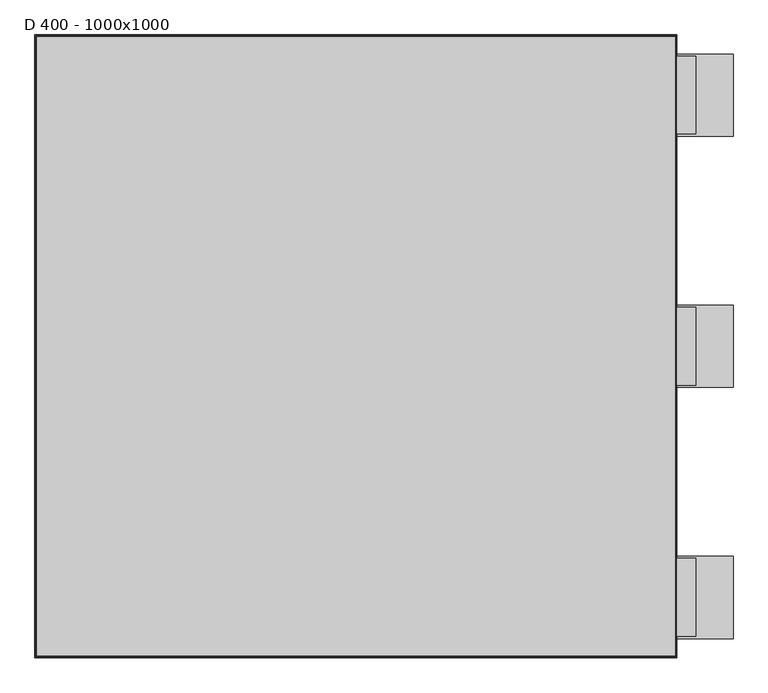
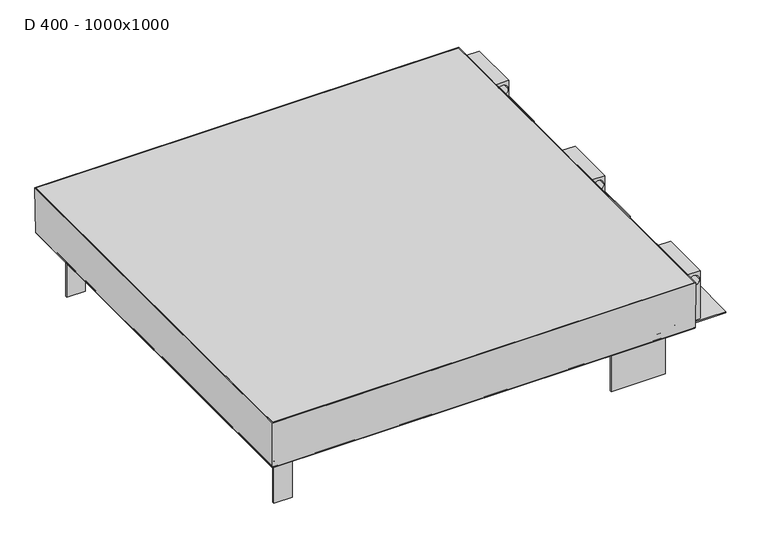
"""IFC4 building model written with IfcOpenShell, lengths in millimetres: proxy geometry, D 400 - 1000x1000."""

from ifc_helpers import new_model, si_unit, point, frame, frame_2d, origin, place, context, project, spatial, polyline, circle_curve, ellipse_curve, trimmed, segment, composite_curve, outline, extrude, source, transform, mapped, element, save
from ifc_brep_helpers import plane_surface, cylinder_surface, revolved_surface, advanced_brep


def d_400_1000x1000_37fa2a3f(model_context):
    return source(origin(), model_context, "Body", "SolidModel", [
        extrude(outline(polyline([(540.0, 75.0), (690.0, 75.0), (690.0, -75.2111329), (540.0, -75.2111329), (540.0, 75.0)])), frame((0.0, 0.0, -144.0), z_axis=(0.0, 0.0, 1.0), x_axis=(1.0, 0.0, 0.0)), (0.0, 0.0, 1.0), 3.0),
        extrude(outline(polyline([(0.0, 622.0), (0.0, 587.0), (-141.0, 587.0), (-141.0, 622.0), (0.0, 622.0)]), holes=[composite_curve([segment(trimmed(circle_curve(frame_2d((-23.8203371, 604.4245301)), 15.0), [point((-23.8203371, 589.4245301))], [point((-23.8203371, 619.4245301))], True, "CARTESIAN"), True, "CONTINUOUS"), segment(trimmed(circle_curve(frame_2d((-23.8203371, 604.4245301)), 15.0), [point((-23.8203371, 619.4245301))], [point((-23.8203371, 589.4245301))], True, "CARTESIAN"), True, "CONTINUOUS")], self_intersect=False)]), frame((0.0, -70.8630535, 0.0), z_axis=(0.0, 1.0, 0.0), x_axis=(0.0, 0.0, 1.0)), (0.0, 0.0, 1.0), 142.0),
        extrude(outline(polyline([(540.0, -384.2888671), (690.0, -384.2888671), (690.0, -534.5), (540.0, -534.5), (540.0, -384.2888671)])), frame((0.0, 0.0, -144.0), z_axis=(0.0, 0.0, 1.0), x_axis=(1.0, 0.0, 0.0)), (0.0, 0.0, 1.0), 3.0),
        extrude(outline(polyline([(0.0, 622.0), (0.0, 587.0), (-141.0, 587.0), (-141.0, 622.0), (0.0, 622.0)]), holes=[composite_curve([segment(trimmed(circle_curve(frame_2d((-23.8203371, 604.4245301)), 15.0), [point((-23.8203371, 589.4245301))], [point((-23.8203371, 619.4245301))], True, "CARTESIAN"), True, "CONTINUOUS"), segment(trimmed(circle_curve(frame_2d((-23.8203371, 604.4245301)), 15.0), [point((-23.8203371, 619.4245301))], [point((-23.8203371, 589.4245301))], True, "CARTESIAN"), True, "CONTINUOUS")], self_intersect=False)]), frame((0.0, -530.1519206, 0.0), z_axis=(0.0, 1.0, 0.0), x_axis=(0.0, 0.0, 1.0)), (0.0, 0.0, 1.0), 142.0),
        extrude(outline(polyline([(540.0, 534.5), (690.0, 534.5), (690.0, 384.2888671), (540.0, 384.2888671), (540.0, 534.5)])), frame((0.0, 0.0, -144.0), z_axis=(0.0, 0.0, 1.0), x_axis=(1.0, 0.0, 0.0)), (0.0, 0.0, 1.0), 3.0),
        extrude(outline(polyline([(0.0, 622.0), (0.0, 587.0), (-141.0, 587.0), (-141.0, 622.0), (0.0, 622.0)]), holes=[composite_curve([segment(trimmed(circle_curve(frame_2d((-23.8203371, 604.4245301)), 15.0), [point((-23.8203371, 589.4245301))], [point((-23.8203371, 619.4245301))], True, "CARTESIAN"), True, "CONTINUOUS"), segment(trimmed(circle_curve(frame_2d((-23.8203371, 604.4245301)), 15.0), [point((-23.8203371, 619.4245301))], [point((-23.8203371, 589.4245301))], True, "CARTESIAN"), True, "CONTINUOUS")], self_intersect=False)]), frame((0.0, 388.6369465, 0.0), z_axis=(0.0, 1.0, 0.0), x_axis=(0.0, 0.0, 1.0)), (0.0, 0.0, 1.0), 142.0),
        extrude(outline(polyline([(-584.3953955, -511.8953955), (-584.3953955, 511.8953955), (-584.3953955, 566.8953955), (-529.3953955, 566.8953955), (529.3953955, 566.8953955), (584.3953955, 566.8953955), (584.3953955, 511.8953955), (584.3953955, -511.8953955), (584.3953955, -566.8953955), (529.3953955, -566.8953955), (-529.3953955, -566.8953955), (-584.3953955, -566.8953955), (-584.3953955, -511.8953955)])), frame((0.0, 0.0, -5.0), z_axis=(0.0, 0.0, 1.0), x_axis=(1.0, 0.0, 0.0)), (0.0, 0.0, 1.0), 5.0),
        advanced_brep(
        [(-517.5, 500.0, -116.8748363), (-517.5, -500.0, -116.8748363), (517.5, -500.0, -116.8748363), (517.5, 500.0, -116.8748363), (580.9605243, 563.4605243, -120.0), (580.9605243, -563.4605243, -120.0), (-580.9605243, -563.4605243, -120.0), (-580.9605243, 563.4605243, -120.0), (-517.5, 500.0, -117.9987834), (-517.5, -500.0, -117.9987834), (517.5, -500.0, -117.9987834), (517.5, 500.0, -117.9987834), (582.2486912, 564.7486912, -118.7973005), (582.2486912, -564.7486912, -118.7973005), (580.3145448, 562.8145448, -116.8748363), (579.1900014, 561.6900014, -117.9987834), (579.1900014, -561.6900014, -117.9987834), (580.3145448, -562.8145448, -116.8748363), (584.3953955, -566.8953955, 0.0), (584.3953955, 566.8953955, 0.0), (586.3966675, 568.8966675, 0.0), (586.3966675, -568.8966675, 0.0), (-582.2486912, -564.7486912, -118.7973005), (-579.1900014, -561.6900014, -117.9987834), (-580.3145448, -562.8145448, -116.8748363), (-584.3953955, -566.8953955, 0.0), (-586.3966675, -568.8966675, 0.0), (-582.2486912, 564.7486912, -118.7973005), (-579.1900014, 561.6900014, -117.9987834), (-580.3145448, 562.8145448, -116.8748363), (-584.3953955, 566.8953955, 0.0), (-586.3966675, 568.8966675, 0.0)],
        [
            (0, 1),
            (1, 2),
            (2, 3),
            (3, 0),
            (4, 5),
            (5, 6),
            (6, 7),
            (7, 4),
            (0, 8),
            (8, 9),
            (9, 1),
            (9, 10),
            (10, 2),
            (10, 11),
            (11, 3),
            (11, 8),
            (4, 12, ellipse_curve(frame((580.9605243, 563.4605243, -118.7087963), z_axis=(0.7071067811865475, -0.7071067811865475, 0.0), x_axis=(0.7071067811865474, 0.7071067811865476, 0.0)), 1.8260378, 1.2912037)),
            (12, 13),
            (13, 5, ellipse_curve(frame((580.9605243, -563.4605243, -118.7087963), z_axis=(0.7071067811865475, 0.7071067811865475, 0.0), x_axis=(-0.7071067811865474, 0.7071067811865476, 0.0)), 1.8260378, 1.2912037)),
            (14, 15, ellipse_curve(frame((579.0254138, 561.5254138, -116.7095649), z_axis=(-0.7071067811865475, 0.7071067811865475, 0.0), x_axis=(-0.7071067811865474, -0.7071067811865476, 0.0)), 1.838028, 1.2996821)),
            (15, 16),
            (16, 17, ellipse_curve(frame((579.0254138, -561.5254138, -116.7095649), z_axis=(-0.7071067811865475, -0.7071067811865475, 0.0), x_axis=(0.7071067811865474, -0.7071067811865476, 0.0)), 1.838028, 1.2996821)),
            (17, 14),
            (17, 18),
            (18, 19),
            (19, 14),
            (12, 20),
            (20, 21),
            (21, 13),
            (13, 22),
            (22, 6, ellipse_curve(frame((-580.9605243, -563.4605243, -118.7087963), z_axis=(0.7071067811865475, -0.7071067811865475, 0.0), x_axis=(0.7071067811865476, 0.7071067811865474, 0.0)), 1.8260378, 1.2912037)),
            (16, 23),
            (23, 24, ellipse_curve(frame((-579.0254138, -561.5254138, -116.7095649), z_axis=(-0.7071067811865475, 0.7071067811865475, 0.0), x_axis=(-0.7071067811865476, -0.7071067811865474, 0.0)), 1.838028, 1.2996821)),
            (24, 17),
            (24, 25),
            (25, 18),
            (21, 26),
            (26, 22),
            (22, 27),
            (27, 7, ellipse_curve(frame((-580.9605243, 563.4605243, -118.7087963), z_axis=(-0.7071067811865475, -0.7071067811865475, 0.0), x_axis=(0.7071067811865474, -0.7071067811865476, 0.0)), 1.8260378, 1.2912037)),
            (23, 28),
            (28, 29, ellipse_curve(frame((-579.0254138, 561.5254138, -116.7095649), z_axis=(0.7071067811865475, 0.7071067811865475, 0.0), x_axis=(-0.7071067811865474, 0.7071067811865476, 0.0)), 1.838028, 1.2996821)),
            (29, 24),
            (29, 30),
            (30, 25),
            (26, 31),
            (31, 27),
            (27, 12),
            (15, 28),
            (14, 29),
            (19, 30),
            (20, 31),
        ],
        [
            plane_surface(frame((-517.5, -500.0, -116.8748363), z_axis=(0.0, 0.0, 1.0), x_axis=(0.0, -1.0, 0.0))),
            plane_surface(frame((-517.5, -500.0, -120.0), z_axis=(0.0, 0.0, -1.0), x_axis=(0.0, 1.0, 0.0))),
            plane_surface(frame((-517.5, 500.0, -116.8748363), z_axis=(-1.0, 0.0, 0.0), x_axis=(0.0, 0.0, -1.0))),
            plane_surface(frame((-517.5, -500.0, -116.8748363), z_axis=(0.0, -1.0, 0.0), x_axis=(0.0, 0.0, -1.0))),
            plane_surface(frame((517.5, -500.0, -116.8748363), z_axis=(1.0, 0.0, 0.0), x_axis=(0.0, 0.0, -1.0))),
            plane_surface(frame((517.5, 500.0, -116.8748363), z_axis=(0.0, 1.0, 0.0), x_axis=(0.0, 0.0, -1.0))),
            cylinder_surface(frame((580.9605243, 567.5, -118.7087963), z_axis=(0.0, 1.0, 0.0), x_axis=(1.0, 0.0, 0.0)), 1.2912037),
            revolved_surface(polyline([(580.3250959000001, -562.8250958628107, -116.7095649), (580.3250959000001, 562.8250958628108, -116.7095649)]), (579.0254138, 567.5, -116.7095649), (0.0, -1.0, 0.0)),
            plane_surface(frame((580.3145448, 562.8145448, -116.8748363), z_axis=(-0.9993909786628107, 0.0, 0.03489515392414314), x_axis=(0.0, -1.0, 0.0))),
            plane_surface(frame((586.3966675, 568.8966675, 0.0), z_axis=(0.9993909786628107, 0.0, -0.0348951539241437), x_axis=(0.0, -1.0, 0.0))),
            cylinder_surface(frame((585.0, -563.4605243, -118.7087963), z_axis=(1.0, 0.0, 0.0), x_axis=(0.0, -1.0, 0.0)), 1.2912037),
            revolved_surface(polyline([(-580.3250958628107, -562.8250959000001, -116.7095649), (580.3250958628108, -562.8250959000001, -116.7095649)]), (585.0, -561.5254138, -116.7095649), (-1.0, 0.0, 0.0)),
            plane_surface(frame((580.3145448, -562.8145448, -116.8748363), z_axis=(0.0, 0.9993909786628107, 0.03489515392414314), x_axis=(-1.0, 0.0, 0.0))),
            plane_surface(frame((586.3966675, -568.8966675, 0.0), z_axis=(0.0, -0.9993909786628107, -0.0348951539241437), x_axis=(-1.0, 0.0, 0.0))),
            cylinder_surface(frame((-580.9605243, -567.5, -118.7087963), z_axis=(0.0, -1.0, 0.0), x_axis=(-1.0, 0.0, 0.0)), 1.2912037),
            revolved_surface(polyline([(-580.3250959000001, 562.8250958628107, -116.7095649), (-580.3250959000001, -562.8250958628108, -116.7095649)]), (-579.0254138, -567.5, -116.7095649), (0.0, 1.0, 0.0)),
            plane_surface(frame((-580.3145448, -562.8145448, -116.8748363), z_axis=(0.9993909786628107, 0.0, 0.03489515392414314), x_axis=(0.0, 1.0, 0.0))),
            plane_surface(frame((-586.3966675, -568.8966675, 0.0), z_axis=(-0.9993909786628107, 0.0, -0.0348951539241437), x_axis=(0.0, 1.0, 0.0))),
            cylinder_surface(frame((-585.0, 563.4605243, -118.7087963), z_axis=(-1.0, 0.0, 0.0), x_axis=(0.0, 1.0, 0.0)), 1.2912037),
            plane_surface(frame((-549.6109139, 532.1109139, -117.9987834), z_axis=(0.0, 0.0, 1.0), x_axis=(1.0, 0.0, 0.0))),
            revolved_surface(polyline([(580.3250958628107, 562.8250959000001, -116.7095649), (-580.3250958628108, 562.8250959000001, -116.7095649)]), (-585.0, 561.5254138, -116.7095649), (1.0, 0.0, 0.0)),
            plane_surface(frame((-580.3145448, 562.8145448, -116.8748363), z_axis=(0.0, -0.9993909786628107, 0.03489515392414314), x_axis=(1.0, 0.0, 0.0))),
            plane_surface(frame((-584.3953955, 566.8953955, 0.0), z_axis=(0.0, 0.0, 1.0), x_axis=(1.0, 0.0, 0.0))),
            plane_surface(frame((-586.3966675, 568.8966675, 0.0), z_axis=(0.0, 0.9993909786628107, -0.0348951539241437), x_axis=(1.0, 0.0, 0.0))),
        ],
        [
            (0, [[1, 2, 3, 4]]),
            (1, [[5, 6, 7, 8]]),
            (2, [[-1, 9, 10, 11]]),
            (3, [[-2, -11, 12, 13]]),
            (4, [[-3, -13, 14, 15]]),
            (5, [[-4, -15, 16, -9]]),
            (6, [[17, 18, 19, -5]]),
            (7, [[20, 21, 22, 23]]),
            (8, [[-23, 24, 25, 26]]),
            (9, [[-18, 27, 28, 29]]),
            (10, [[-19, 30, 31, -6]]),
            (11, [[-22, 32, 33, 34]]),
            (12, [[-24, -34, 35, 36]]),
            (13, [[-29, 37, 38, -30]]),
            (14, [[-31, 39, 40, -7]]),
            (15, [[-33, 41, 42, 43]]),
            (16, [[-35, -43, 44, 45]]),
            (17, [[-38, 46, 47, -39]]),
            (18, [[-17, -8, -40, 48]]),
            (19, [[-21, 49, -41, -32], [-10, -16, -14, -12]]),
            (20, [[-20, 50, -42, -49]]),
            (21, [[-26, 51, -44, -50]]),
            (22, [[-28, 52, -46, -37], [-25, -36, -45, -51]]),
            (23, [[-27, -48, -47, -52]]),
        ],
    ),
        advanced_brep(
        [(584.0603915, 566.5603915, -133.0), (585.3917116, 567.8917116, -131.7973005), (585.3917116, -567.8917116, -131.7973005), (584.0603915, -566.5603915, -133.0), (551.491936, 533.991936, -133.5068236), (552.3495131, 534.8495131, -133.0), (552.3495131, -534.8495131, -133.0), (551.491936, -533.991936, -133.5068236), (541.5430631, 524.0430631, -143.4568727), (541.5430631, -524.0430631, -143.4568727), (540.5631773, 523.0631773, -144.0), (540.5631773, -523.0631773, -144.0), (519.0, 501.5, -142.0), (521.0, 503.5, -144.0), (521.0, -503.5, -144.0), (519.0, -501.5, -142.0), (519.0, 501.5, -131.0), (519.0, -501.5, -131.0), (521.0, 503.5, -131.0), (521.0, -503.5, -131.0), (521.0, -503.5, -140.1412819), (521.0, 503.5, -140.1412819), (522.5596496, 505.0596496, -142.0), (522.5596496, -505.0596496, -142.0), (540.6238392, 523.1238392, -141.5476755), (539.8710448, 522.3710448, -142.0), (539.8710448, -522.3710448, -142.0), (540.6238392, -523.1238392, -141.5476755), (550.7056833, 533.2056833, -131.4646396), (550.7056833, -533.2056833, -131.4646396), (551.6109139, 534.1109139, -130.9987834), (551.6109139, -534.1109139, -130.9987834), (583.414412, 565.914412, -129.9192491), (582.2898686, 564.7898686, -130.9987834), (582.2898686, -564.7898686, -130.9987834), (583.414412, -565.914412, -129.9192491), (584.9987388, 567.4987388, 0.0), (584.9987388, -567.4987388, 0.0), (586.9989406, 569.4989406, 0.0), (586.9989406, -569.4989406, 0.0), (-585.3917116, -567.8917116, -131.7973005), (-584.0603915, -566.5603915, -133.0), (-552.3495131, -534.8495131, -133.0), (-551.491936, -533.991936, -133.5068236), (-541.5430631, -524.0430631, -143.4568727), (-540.5631773, -523.0631773, -144.0), (-521.0, -503.5, -144.0), (-519.0, -501.5, -142.0), (-519.0, -501.5, -131.0), (-521.0, -503.5, -131.0), (-521.0, -503.5, -140.1412819), (-522.5596496, -505.0596496, -142.0), (-539.8710448, -522.3710448, -142.0), (-540.6238392, -523.1238392, -141.5476755), (-550.7056833, -533.2056833, -131.4646396), (-551.6109139, -534.1109139, -130.9987834), (-582.2898686, -564.7898686, -130.9987834), (-583.414412, -565.914412, -129.9192491), (-584.9987388, -567.4987388, 0.0), (-586.9989406, -569.4989406, 0.0), (-585.3917116, 567.8917116, -131.7973005), (-584.0603915, 566.5603915, -133.0), (-552.3495131, 534.8495131, -133.0), (-551.491936, 533.991936, -133.5068236), (-541.5430631, 524.0430631, -143.4568727), (-540.5631773, 523.0631773, -144.0), (-521.0, 503.5, -144.0), (-519.0, 501.5, -142.0), (-519.0, 501.5, -131.0), (-521.0, 503.5, -131.0), (-521.0, 503.5, -140.1412819), (-522.5596496, 505.0596496, -142.0), (-539.8710448, 522.3710448, -142.0), (-540.6238392, 523.1238392, -141.5476755), (-550.7056833, 533.2056833, -131.4646396), (-551.6109139, 534.1109139, -130.9987834), (-582.2898686, 564.7898686, -130.9987834), (-583.414412, 565.914412, -129.9192491), (-584.9987388, 567.4987388, 0.0), (-586.9989406, 569.4989406, 0.0)],
        [
            (0, 1, ellipse_curve(frame((584.0603915, 566.5603915, -131.6618023), z_axis=(0.7071067811865475, -0.7071067811865475, 0.0), x_axis=(0.7071067811865474, 0.7071067811865476, 0.0)), 1.8924973, 1.3381977)),
            (1, 2),
            (2, 3, ellipse_curve(frame((584.0603915, -566.5603915, -131.6618023), z_axis=(0.7071067811865475, 0.7071067811865475, 0.0), x_axis=(-0.7071067811865474, 0.7071067811865476, 0.0)), 1.8924973, 1.3381977)),
            (3, 0),
            (4, 5, ellipse_curve(frame((552.9062332, 535.4062332, -134.9209536), z_axis=(-0.7071067811865475, 0.7071067811865475, 0.0), x_axis=(-0.7071067811865474, -0.7071067811865476, 0.0)), 2.8284271, 2.0)),
            (5, 6),
            (6, 7, ellipse_curve(frame((552.9062332, -535.4062332, -134.9209536), z_axis=(-0.7071067811865475, -0.7071067811865475, 0.0), x_axis=(0.7071067811865474, -0.7071067811865476, 0.0)), 2.8284271, 2.0)),
            (7, 4),
            (8, 4),
            (7, 9),
            (9, 8),
            (10, 8, ellipse_curve(frame((539.0169048, 521.5169048, -140.0547885), z_axis=(0.7071067811865475, -0.7071067811865475, 0.0), x_axis=(0.7071067811865474, 0.7071067811865476, 0.0)), 5.9926042, 4.237411)),
            (9, 11, ellipse_curve(frame((539.0169048, -521.5169048, -140.0547885), z_axis=(0.7071067811865475, 0.7071067811865475, 0.0), x_axis=(-0.7071067811865474, 0.7071067811865476, 0.0)), 5.9926042, 4.237411)),
            (11, 10),
            (12, 13, ellipse_curve(frame((522.5491099, 505.0491099, -140.4508901), z_axis=(0.7071067811865475, -0.7071067811865475, 0.0), x_axis=(0.7071067811865474, 0.7071067811865476, 0.0)), 5.4764811, 3.872457)),
            (13, 14),
            (14, 15, ellipse_curve(frame((522.5491099, -505.0491099, -140.4508901), z_axis=(0.7071067811865475, 0.7071067811865475, 0.0), x_axis=(-0.7071067811865474, 0.7071067811865476, 0.0)), 5.4764811, 3.872457)),
            (15, 12),
            (16, 12),
            (15, 17),
            (17, 16),
            (18, 19),
            (19, 20),
            (20, 21),
            (21, 18),
            (22, 21, ellipse_curve(frame((522.9978512, 505.4978512, -140.0485955), z_axis=(-0.7071067811865475, 0.7071067811865475, 0.0), x_axis=(-0.7071067811865474, -0.7071067811865476, 0.0)), 2.8284271, 2.0)),
            (20, 23, ellipse_curve(frame((522.9978512, -505.4978512, -140.0485955), z_axis=(-0.7071067811865475, -0.7071067811865475, 0.0), x_axis=(0.7071067811865474, -0.7071067811865476, 0.0)), 2.8284271, 2.0)),
            (23, 22),
            (24, 25, ellipse_curve(frame((539.2425005, 521.7425005, -140.1013342), z_axis=(-0.7071067811865475, 0.7071067811865475, 0.0), x_axis=(-0.7071067811865474, -0.7071067811865476, 0.0)), 2.8284271, 2.0)),
            (25, 26),
            (26, 27, ellipse_curve(frame((539.2425005, -521.7425005, -140.1013342), z_axis=(-0.7071067811865475, -0.7071067811865475, 0.0), x_axis=(0.7071067811865474, -0.7071067811865476, 0.0)), 2.8284271, 2.0)),
            (27, 24),
            (28, 24),
            (27, 29),
            (29, 28),
            (30, 28, ellipse_curve(frame((551.9486156, 534.4486156, -132.7674195), z_axis=(0.7071067811865475, -0.7071067811865475, 0.0), x_axis=(0.7071067811865474, 0.7071067811865476, 0.0)), 2.5464155, 1.8005877)),
            (29, 31, ellipse_curve(frame((551.9486156, -534.4486156, -132.7674195), z_axis=(0.7071067811865475, 0.7071067811865475, 0.0), x_axis=(-0.7071067811865474, 0.7071067811865476, 0.0)), 2.5464155, 1.8005877)),
            (31, 30),
            (32, 33, ellipse_curve(frame((582.125281, 564.625281, -129.7018519), z_axis=(-0.7071067811865475, 0.7071067811865475, 0.0), x_axis=(-0.7071067811865474, -0.7071067811865476, 0.0)), 1.8488485, 1.3073333)),
            (33, 34),
            (34, 35, ellipse_curve(frame((582.125281, -564.625281, -129.7018519), z_axis=(-0.7071067811865475, -0.7071067811865475, 0.0), x_axis=(0.7071067811865474, -0.7071067811865476, 0.0)), 1.8488485, 1.3073333)),
            (35, 32),
            (36, 32),
            (35, 37),
            (37, 36),
            (1, 38),
            (38, 39),
            (39, 2),
            (2, 40),
            (40, 41, ellipse_curve(frame((-584.0603915, -566.5603915, -131.6618023), z_axis=(0.7071067811865475, -0.7071067811865475, 0.0), x_axis=(0.7071067811865476, 0.7071067811865474, 0.0)), 1.8924973, 1.3381977)),
            (41, 3),
            (6, 42),
            (42, 43, ellipse_curve(frame((-552.9062332, -535.4062332, -134.9209536), z_axis=(-0.7071067811865475, 0.7071067811865475, 0.0), x_axis=(-0.7071067811865476, -0.7071067811865474, 0.0)), 2.8284271, 2.0)),
            (43, 7),
            (43, 44),
            (44, 9),
            (44, 45, ellipse_curve(frame((-539.0169048, -521.5169048, -140.0547885), z_axis=(0.7071067811865475, -0.7071067811865475, 0.0), x_axis=(0.7071067811865476, 0.7071067811865474, 0.0)), 5.9926042, 4.237411)),
            (45, 11),
            (14, 46),
            (46, 47, ellipse_curve(frame((-522.5491099, -505.0491099, -140.4508901), z_axis=(0.7071067811865475, -0.7071067811865475, 0.0), x_axis=(0.7071067811865476, 0.7071067811865474, 0.0)), 5.4764811, 3.872457)),
            (47, 15),
            (47, 48),
            (48, 17),
            (19, 49),
            (49, 50),
            (50, 20),
            (50, 51, ellipse_curve(frame((-522.9978512, -505.4978512, -140.0485955), z_axis=(-0.7071067811865475, 0.7071067811865475, 0.0), x_axis=(-0.7071067811865476, -0.7071067811865474, 0.0)), 2.8284271, 2.0)),
            (51, 23),
            (26, 52),
            (52, 53, ellipse_curve(frame((-539.2425005, -521.7425005, -140.1013342), z_axis=(-0.7071067811865475, 0.7071067811865475, 0.0), x_axis=(-0.7071067811865476, -0.7071067811865474, 0.0)), 2.8284271, 2.0)),
            (53, 27),
            (53, 54),
            (54, 29),
            (54, 55, ellipse_curve(frame((-551.9486156, -534.4486156, -132.7674195), z_axis=(0.7071067811865475, -0.7071067811865475, 0.0), x_axis=(0.7071067811865476, 0.7071067811865474, 0.0)), 2.5464155, 1.8005877)),
            (55, 31),
            (34, 56),
            (56, 57, ellipse_curve(frame((-582.125281, -564.625281, -129.7018519), z_axis=(-0.7071067811865475, 0.7071067811865475, 0.0), x_axis=(-0.7071067811865476, -0.7071067811865474, 0.0)), 1.8488485, 1.3073333)),
            (57, 35),
            (57, 58),
            (58, 37),
            (39, 59),
            (59, 40),
            (40, 60),
            (60, 61, ellipse_curve(frame((-584.0603915, 566.5603915, -131.6618023), z_axis=(-0.7071067811865475, -0.7071067811865475, 0.0), x_axis=(0.7071067811865474, -0.7071067811865476, 0.0)), 1.8924973, 1.3381977)),
            (61, 41),
            (42, 62),
            (62, 63, ellipse_curve(frame((-552.9062332, 535.4062332, -134.9209536), z_axis=(0.7071067811865475, 0.7071067811865475, 0.0), x_axis=(-0.7071067811865474, 0.7071067811865476, 0.0)), 2.8284271, 2.0)),
            (63, 43),
            (63, 64),
            (64, 44),
            (64, 65, ellipse_curve(frame((-539.0169048, 521.5169048, -140.0547885), z_axis=(-0.7071067811865475, -0.7071067811865475, 0.0), x_axis=(0.7071067811865474, -0.7071067811865476, 0.0)), 5.9926042, 4.237411)),
            (65, 45),
            (46, 66),
            (66, 67, ellipse_curve(frame((-522.5491099, 505.0491099, -140.4508901), z_axis=(-0.7071067811865475, -0.7071067811865475, 0.0), x_axis=(0.7071067811865474, -0.7071067811865476, 0.0)), 5.4764811, 3.872457)),
            (67, 47),
            (67, 68),
            (68, 48),
            (49, 69),
            (69, 70),
            (70, 50),
            (70, 71, ellipse_curve(frame((-522.9978512, 505.4978512, -140.0485955), z_axis=(0.7071067811865475, 0.7071067811865475, 0.0), x_axis=(-0.7071067811865474, 0.7071067811865476, 0.0)), 2.8284271, 2.0)),
            (71, 51),
            (52, 72),
            (72, 73, ellipse_curve(frame((-539.2425005, 521.7425005, -140.1013342), z_axis=(0.7071067811865475, 0.7071067811865475, 0.0), x_axis=(-0.7071067811865474, 0.7071067811865476, 0.0)), 2.8284271, 2.0)),
            (73, 53),
            (73, 74),
            (74, 54),
            (74, 75, ellipse_curve(frame((-551.9486156, 534.4486156, -132.7674195), z_axis=(-0.7071067811865475, -0.7071067811865475, 0.0), x_axis=(0.7071067811865474, -0.7071067811865476, 0.0)), 2.5464155, 1.8005877)),
            (75, 55),
            (56, 76),
            (76, 77, ellipse_curve(frame((-582.125281, 564.625281, -129.7018519), z_axis=(0.7071067811865475, 0.7071067811865475, 0.0), x_axis=(-0.7071067811865474, 0.7071067811865476, 0.0)), 1.8488485, 1.3073333)),
            (77, 57),
            (77, 78),
            (78, 58),
            (59, 79),
            (79, 60),
            (60, 1),
            (0, 61),
            (5, 62),
            (4, 63),
            (8, 64),
            (10, 65),
            (13, 66),
            (12, 67),
            (16, 68),
            (18, 69),
            (21, 70),
            (22, 71),
            (25, 72),
            (24, 73),
            (28, 74),
            (30, 75),
            (33, 76),
            (32, 77),
            (36, 78),
            (38, 79),
        ],
        [
            cylinder_surface(frame((584.0603915, 569.5, -131.6618023), z_axis=(0.0, 1.0, 0.0), x_axis=(1.0, 0.0, 0.0)), 1.3381977),
            revolved_surface(polyline([(554.9062332, -537.4062331825016, -134.9209536), (554.9062332, 537.4062331825018, -134.9209536)]), (552.9062332, 569.5, -134.9209536), (0.0, -1.0, 0.0)),
            plane_surface(frame((551.491936, 533.991936, -133.5068236), z_axis=(0.7071485734026509, 0.0, -0.7070649865002478), x_axis=(0.0, -1.0, 0.0))),
            cylinder_surface(frame((539.0169048, 569.5, -140.0547885), z_axis=(0.0, 1.0, 0.0), x_axis=(1.0, 0.0, 0.0)), 4.237411),
            cylinder_surface(frame((522.5491099, 569.5, -140.4508901), z_axis=(0.0, 1.0, 0.0), x_axis=(1.0, 0.0, 0.0)), 3.872457),
            plane_surface(frame((519.0, 501.5, -142.0), z_axis=(-1.0, 0.0, 0.0), x_axis=(0.0, -1.0, 0.0))),
            plane_surface(frame((521.0, 503.5, -133.0), z_axis=(1.0, 0.0, 0.0), x_axis=(0.0, -1.0, 0.0))),
            revolved_surface(polyline([(524.9978512, -507.4978511825018, -140.0485955), (524.9978512, 507.4978511825018, -140.0485955)]), (522.9978512, 569.5, -140.0485955), (0.0, -1.0, 0.0)),
            revolved_surface(polyline([(541.2425005, -523.7425004825018, -140.1013342), (541.2425005, 523.7425004825018, -140.1013342)]), (539.2425005, 569.5, -140.1013342), (0.0, -1.0, 0.0)),
            plane_surface(frame((540.6238392, 523.1238392, -141.5476755), z_axis=(-0.7071485734026499, 0.0, 0.707064986500249), x_axis=(0.0, -1.0, 0.0))),
            cylinder_surface(frame((551.9486156, 569.5, -132.7674195), z_axis=(0.0, 1.0, 0.0), x_axis=(1.0, 0.0, 0.0)), 1.8005877),
            revolved_surface(polyline([(583.4326143, -565.9326143117366, -129.7018519), (583.4326143, 565.9326143117365, -129.7018519)]), (582.125281, 569.5, -129.7018519), (0.0, -1.0, 0.0)),
            plane_surface(frame((583.414412, 565.914412, -129.9192491), z_axis=(-0.9999256528891831, 0.0, 0.01219379736345606), x_axis=(0.0, -1.0, 0.0))),
            plane_surface(frame((586.9989406, 569.4989406, 0.0), z_axis=(0.999925652889183, 0.0, -0.012193797363456351), x_axis=(0.0, -1.0, 0.0))),
            cylinder_surface(frame((587.0, -566.5603915, -131.6618023), z_axis=(1.0, 0.0, 0.0), x_axis=(0.0, -1.0, 0.0)), 1.3381977),
            revolved_surface(polyline([(-554.9062331825016, -537.4062332, -134.9209536), (554.9062331825018, -537.4062332, -134.9209536)]), (587.0, -535.4062332, -134.9209536), (-1.0, 0.0, 0.0)),
            plane_surface(frame((551.491936, -533.991936, -133.5068236), z_axis=(0.0, -0.7071485734026509, -0.7070649865002478), x_axis=(-1.0, 0.0, 0.0))),
            cylinder_surface(frame((587.0, -521.5169048, -140.0547885), z_axis=(1.0, 0.0, 0.0), x_axis=(0.0, -1.0, 0.0)), 4.237411),
            cylinder_surface(frame((587.0, -505.0491099, -140.4508901), z_axis=(1.0, 0.0, 0.0), x_axis=(0.0, -1.0, 0.0)), 3.872457),
            plane_surface(frame((519.0, -501.5, -142.0), z_axis=(0.0, 1.0, 0.0), x_axis=(-1.0, 0.0, 0.0))),
            plane_surface(frame((521.0, -503.5, -133.0), z_axis=(0.0, -1.0, 0.0), x_axis=(-1.0, 0.0, 0.0))),
            revolved_surface(polyline([(-524.9978511825018, -507.4978512, -140.0485955), (524.9978511825018, -507.4978512, -140.0485955)]), (587.0, -505.4978512, -140.0485955), (-1.0, 0.0, 0.0)),
            revolved_surface(polyline([(-541.2425004825018, -523.7425005, -140.1013342), (541.2425004825018, -523.7425005, -140.1013342)]), (587.0, -521.7425005, -140.1013342), (-1.0, 0.0, 0.0)),
            plane_surface(frame((540.6238392, -523.1238392, -141.5476755), z_axis=(0.0, 0.7071485734026499, 0.707064986500249), x_axis=(-1.0, 0.0, 0.0))),
            cylinder_surface(frame((587.0, -534.4486156, -132.7674195), z_axis=(1.0, 0.0, 0.0), x_axis=(0.0, -1.0, 0.0)), 1.8005877),
            revolved_surface(polyline([(-583.4326143117366, -565.9326143, -129.7018519), (583.4326143117365, -565.9326143, -129.7018519)]), (587.0, -564.625281, -129.7018519), (-1.0, 0.0, 0.0)),
            plane_surface(frame((583.414412, -565.914412, -129.9192491), z_axis=(0.0, 0.9999256528891831, 0.01219379736345606), x_axis=(-1.0, 0.0, 0.0))),
            plane_surface(frame((586.9989406, -569.4989406, 0.0), z_axis=(0.0, -0.999925652889183, -0.012193797363456351), x_axis=(-1.0, 0.0, 0.0))),
            cylinder_surface(frame((-584.0603915, -569.5, -131.6618023), z_axis=(0.0, -1.0, 0.0), x_axis=(-1.0, 0.0, 0.0)), 1.3381977),
            revolved_surface(polyline([(-554.9062332, 537.4062331825016, -134.9209536), (-554.9062332, -537.4062331825018, -134.9209536)]), (-552.9062332, -569.5, -134.9209536), (0.0, 1.0, 0.0)),
            plane_surface(frame((-551.491936, -533.991936, -133.5068236), z_axis=(-0.7071485734026509, 0.0, -0.7070649865002478), x_axis=(0.0, 1.0, 0.0))),
            cylinder_surface(frame((-539.0169048, -569.5, -140.0547885), z_axis=(0.0, -1.0, 0.0), x_axis=(-1.0, 0.0, 0.0)), 4.237411),
            cylinder_surface(frame((-522.5491099, -569.5, -140.4508901), z_axis=(0.0, -1.0, 0.0), x_axis=(-1.0, 0.0, 0.0)), 3.872457),
            plane_surface(frame((-519.0, -501.5, -142.0), z_axis=(1.0, 0.0, 0.0), x_axis=(0.0, 1.0, 0.0))),
            plane_surface(frame((-521.0, -503.5, -133.0), z_axis=(-1.0, 0.0, 0.0), x_axis=(0.0, 1.0, 0.0))),
            revolved_surface(polyline([(-524.9978512, 507.4978511825018, -140.0485955), (-524.9978512, -507.4978511825018, -140.0485955)]), (-522.9978512, -569.5, -140.0485955), (0.0, 1.0, 0.0)),
            revolved_surface(polyline([(-541.2425005, 523.7425004825018, -140.1013342), (-541.2425005, -523.7425004825018, -140.1013342)]), (-539.2425005, -569.5, -140.1013342), (0.0, 1.0, 0.0)),
            plane_surface(frame((-540.6238392, -523.1238392, -141.5476755), z_axis=(0.7071485734026499, 0.0, 0.707064986500249), x_axis=(0.0, 1.0, 0.0))),
            cylinder_surface(frame((-551.9486156, -569.5, -132.7674195), z_axis=(0.0, -1.0, 0.0), x_axis=(-1.0, 0.0, 0.0)), 1.8005877),
            revolved_surface(polyline([(-583.4326143, 565.9326143117366, -129.7018519), (-583.4326143, -565.9326143117365, -129.7018519)]), (-582.125281, -569.5, -129.7018519), (0.0, 1.0, 0.0)),
            plane_surface(frame((-583.414412, -565.914412, -129.9192491), z_axis=(0.9999256528891831, 0.0, 0.01219379736345606), x_axis=(0.0, 1.0, 0.0))),
            plane_surface(frame((-586.9989406, -569.4989406, 0.0), z_axis=(-0.999925652889183, 0.0, -0.012193797363456351), x_axis=(0.0, 1.0, 0.0))),
            cylinder_surface(frame((-587.0, 566.5603915, -131.6618023), z_axis=(-1.0, 0.0, 0.0), x_axis=(0.0, 1.0, 0.0)), 1.3381977),
            plane_surface(frame((-584.0603915, 566.5603915, -133.0), z_axis=(0.0, 0.0, -1.0), x_axis=(1.0, 0.0, 0.0))),
            revolved_surface(polyline([(554.9062331825016, 537.4062332, -134.9209536), (-554.9062331825018, 537.4062332, -134.9209536)]), (-587.0, 535.4062332, -134.9209536), (1.0, 0.0, 0.0)),
            plane_surface(frame((-551.491936, 533.991936, -133.5068236), z_axis=(0.0, 0.7071485734026509, -0.7070649865002478), x_axis=(1.0, 0.0, 0.0))),
            cylinder_surface(frame((-587.0, 521.5169048, -140.0547885), z_axis=(-1.0, 0.0, 0.0), x_axis=(0.0, 1.0, 0.0)), 4.237411),
            plane_surface(frame((-540.5631773, 523.0631773, -144.0), z_axis=(0.0, 0.0, -1.0), x_axis=(1.0, 0.0, 0.0))),
            cylinder_surface(frame((-587.0, 505.0491099, -140.4508901), z_axis=(-1.0, 0.0, 0.0), x_axis=(0.0, 1.0, 0.0)), 3.872457),
            plane_surface(frame((-519.0, 501.5, -142.0), z_axis=(0.0, -1.0, 0.0), x_axis=(1.0, 0.0, 0.0))),
            plane_surface(frame((-519.0, 501.5, -131.0), z_axis=(0.0, 0.0, 1.0), x_axis=(1.0, 0.0, 0.0))),
            plane_surface(frame((-521.0, 503.5, -133.0), z_axis=(0.0, 1.0, 0.0), x_axis=(1.0, 0.0, 0.0))),
            revolved_surface(polyline([(524.9978511825018, 507.4978512, -140.0485955), (-524.9978511825018, 507.4978512, -140.0485955)]), (-587.0, 505.4978512, -140.0485955), (1.0, 0.0, 0.0)),
            plane_surface(frame((-522.5596496, 505.0596496, -142.0), z_axis=(0.0, 0.0, 1.0), x_axis=(1.0, 0.0, 0.0))),
            revolved_surface(polyline([(541.2425004825018, 523.7425005, -140.1013342), (-541.2425004825018, 523.7425005, -140.1013342)]), (-587.0, 521.7425005, -140.1013342), (1.0, 0.0, 0.0)),
            plane_surface(frame((-540.6238392, 523.1238392, -141.5476755), z_axis=(0.0, -0.7071485734026499, 0.707064986500249), x_axis=(1.0, 0.0, 0.0))),
            cylinder_surface(frame((-587.0, 534.4486156, -132.7674195), z_axis=(-1.0, 0.0, 0.0), x_axis=(0.0, 1.0, 0.0)), 1.8005877),
            plane_surface(frame((-551.6109139, 534.1109139, -130.9987834), z_axis=(0.0, 0.0, 1.0), x_axis=(1.0, 0.0, 0.0))),
            revolved_surface(polyline([(583.4326143117366, 565.9326143, -129.7018519), (-583.4326143117365, 565.9326143, -129.7018519)]), (-587.0, 564.625281, -129.7018519), (1.0, 0.0, 0.0)),
            plane_surface(frame((-583.414412, 565.914412, -129.9192491), z_axis=(0.0, -0.9999256528891831, 0.01219379736345606), x_axis=(1.0, 0.0, 0.0))),
            plane_surface(frame((-584.9987388, 567.4987388, 0.0), z_axis=(0.0, 0.0, 1.0), x_axis=(1.0, 0.0, 0.0))),
            plane_surface(frame((-586.9989406, 569.4989406, 0.0), z_axis=(0.0, 0.999925652889183, -0.012193797363456351), x_axis=(1.0, 0.0, 0.0))),
        ],
        [
            (0, [[1, 2, 3, 4]]),
            (1, [[5, 6, 7, 8]]),
            (2, [[9, -8, 10, 11]]),
            (3, [[12, -11, 13, 14]]),
            (4, [[15, 16, 17, 18]]),
            (5, [[19, -18, 20, 21]]),
            (6, [[22, 23, 24, 25]]),
            (7, [[26, -24, 27, 28]]),
            (8, [[29, 30, 31, 32]]),
            (9, [[33, -32, 34, 35]]),
            (10, [[36, -35, 37, 38]]),
            (11, [[39, 40, 41, 42]]),
            (12, [[43, -42, 44, 45]]),
            (13, [[46, 47, 48, -2]]),
            (14, [[-3, 49, 50, 51]]),
            (15, [[-7, 52, 53, 54]]),
            (16, [[-10, -54, 55, 56]]),
            (17, [[-13, -56, 57, 58]]),
            (18, [[-17, 59, 60, 61]]),
            (19, [[-20, -61, 62, 63]]),
            (20, [[-23, 64, 65, 66]]),
            (21, [[-27, -66, 67, 68]]),
            (22, [[-31, 69, 70, 71]]),
            (23, [[-34, -71, 72, 73]]),
            (24, [[-37, -73, 74, 75]]),
            (25, [[-41, 76, 77, 78]]),
            (26, [[-44, -78, 79, 80]]),
            (27, [[-48, 81, 82, -49]]),
            (28, [[-50, 83, 84, 85]]),
            (29, [[-53, 86, 87, 88]]),
            (30, [[-55, -88, 89, 90]]),
            (31, [[-57, -90, 91, 92]]),
            (32, [[-60, 93, 94, 95]]),
            (33, [[-62, -95, 96, 97]]),
            (34, [[-65, 98, 99, 100]]),
            (35, [[-67, -100, 101, 102]]),
            (36, [[-70, 103, 104, 105]]),
            (37, [[-72, -105, 106, 107]]),
            (38, [[-74, -107, 108, 109]]),
            (39, [[-77, 110, 111, 112]]),
            (40, [[-79, -112, 113, 114]]),
            (41, [[-82, 115, 116, -83]]),
            (42, [[-84, 117, -1, 118]]),
            (43, [[-51, -85, -118, -4], [119, -86, -52, -6]]),
            (44, [[-87, -119, -5, 120]]),
            (45, [[-89, -120, -9, 121]]),
            (46, [[-91, -121, -12, 122]]),
            (47, [[-58, -92, -122, -14], [123, -93, -59, -16]]),
            (48, [[-94, -123, -15, 124]]),
            (49, [[-96, -124, -19, 125]]),
            (50, [[126, -98, -64, -22], [-63, -97, -125, -21]]),
            (51, [[-99, -126, -25, 127]]),
            (52, [[-101, -127, -26, 128]]),
            (53, [[129, -103, -69, -30], [-68, -102, -128, -28]]),
            (54, [[-104, -129, -29, 130]]),
            (55, [[-106, -130, -33, 131]]),
            (56, [[-108, -131, -36, 132]]),
            (57, [[133, -110, -76, -40], [-75, -109, -132, -38]]),
            (58, [[-111, -133, -39, 134]]),
            (59, [[-113, -134, -43, 135]]),
            (60, [[136, -115, -81, -47], [-80, -114, -135, -45]]),
            (61, [[-116, -136, -46, -117]]),
        ],
    ),
        extrude(outline(polyline([(-491.0, -495.0), (-491.0, -500.0), (-542.0, -500.0), (-542.0, -495.0), (-491.0, -495.0)])), frame((0.0, 0.0, -292.0), z_axis=(0.0, 0.0, 1.0), x_axis=(1.0, 0.0, 0.0)), (0.0, 0.0, 1.0), 148.0),
        extrude(outline(polyline([(-491.0, 500.0), (-491.0, 495.0), (-542.0, 495.0), (-542.0, 500.0), (-491.0, 500.0)])), frame((0.0, 0.0, -292.0), z_axis=(0.0, 0.0, 1.0), x_axis=(1.0, 0.0, 0.0)), (0.0, 0.0, 1.0), 148.0),
        extrude(outline(polyline([(542.0, 495.0), (392.0, 495.0), (392.0, 500.0), (542.0, 500.0), (542.0, 495.0)])), frame((0.0, 0.0, -292.0), z_axis=(0.0, 0.0, 1.0), x_axis=(1.0, 0.0, 0.0)), (0.0, 0.0, 1.0), 148.0),
        extrude(outline(polyline([(542.0, -495.0), (542.0, -500.0), (392.0, -500.0), (392.0, -495.0), (542.0, -495.0)])), frame((0.0, 0.0, -292.0), z_axis=(0.0, 0.0, 1.0), x_axis=(1.0, 0.0, 0.0)), (0.0, 0.0, 1.0), 148.0),
    ])


if __name__ == "__main__":
    model = new_model("IFC4")
    model_context = context("Model", 3, world=origin())
    ifc_project = project(units=[si_unit("LENGTHUNIT", "METRE", prefix="MILLI")], contexts=[model_context])
    site = spatial("IfcSite", under=ifc_project)
    building = spatial("IfcBuilding", under=site)
    placement = place(None, origin())
    d_400_1000x1000_shape = d_400_1000x1000_37fa2a3f(model_context)
    element("IfcBuildingElementProxy", 1, Name="D 400 - 1000x1000", ObjectType="D 400 - 1000x1000", at=placement, inside=building, context=model_context, shape_type="MappedRepresentation", body=[
        mapped(d_400_1000x1000_shape, transform((0.0, 0.0, 0.0), x_axis=(1.0, 0.0, 0.0), y_axis=(0.0, 1.0, 0.0), z_axis=(0.0, 0.0, 1.0))),
    ])
    save(model, "model.ifc")
